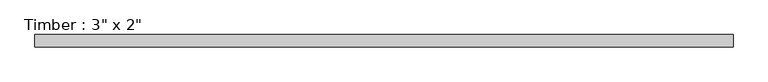
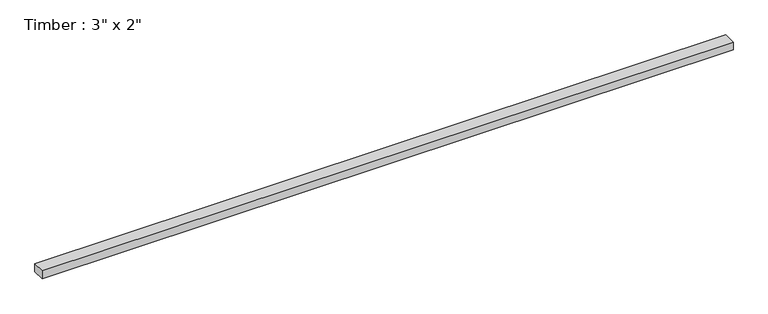
"""IFC4 building model written with IfcOpenShell, lengths in millimetres: beam geometry."""

import ifcopenshell
import ifcopenshell.guid

model = None  # the IFC model being written
_history = None  # IfcOwnerHistory: only IFC2X3 demands one
_inside = {}  # id of a spatial element -> (the spatial element, [elements in it])
_under = {}  # id of a project, library or spatial element -> (it, [spatial elements below it])
_declared = {}  # id of a project -> (the project, [libraries it declares])
_typed = {}  # id of a type object -> (the type object, [elements of that type])
_made_of = {}  # id of a material, layer set ... -> (it, [elements and type objects made of it])


def new_model(schema):
    """Start an empty IFC model of exactly this schema.

    Asked for "IFC4X3", IfcOpenShell would pick the latest addendum, in which some entities
    have other attributes; the version numbers below select the first issue.
    IFC2X3 requires an IfcOwnerHistory on every rooted entity: one is made here for all.
    """
    global model, _history
    if schema == "IFC4X3":
        model = ifcopenshell.file(schema_version=(4, 3, 0, 0))
    else:
        model = ifcopenshell.file(schema=schema)
    _inside.clear()
    _under.clear()
    _declared.clear()
    _typed.clear()
    _made_of.clear()
    _history = None
    if model.schema == "IFC2X3":
        org = make("IfcOrganization", Name="unknown")
        user = make(
            "IfcPersonAndOrganization",
            ThePerson=make("IfcPerson", FamilyName="unknown"),
            TheOrganization=org,
        )
        app = make(
            "IfcApplication",
            ApplicationDeveloper=org,
            Version="unknown",
            ApplicationFullName="unknown",
            ApplicationIdentifier="unknown",
        )
        _history = make(
            "IfcOwnerHistory",
            OwningUser=user,
            OwningApplication=app,
            ChangeAction="ADDED",
            CreationDate=0,
        )
    return model


def make(cls, **values):
    """One entity of the class cls with the attributes given. An attribute that is None is left unset."""
    return model.create_entity(
        cls, **{name: value for name, value in values.items() if value is not None}
    )


def rooted(cls, **values):
    """An entity with a GlobalId (a new one), such as an element, a storey or a relation."""
    return make(cls, GlobalId=ifcopenshell.guid.new(), OwnerHistory=_history, **values)


def si_unit(unit_type, name, prefix=None):
    """IfcSIUnit, for example si_unit("LENGTHUNIT", "METRE", prefix="MILLI")."""
    return make("IfcSIUnit", UnitType=unit_type, Prefix=prefix, Name=name)


def assignment(units):
    """IfcUnitAssignment: the units of a project."""
    return None if units is None else make("IfcUnitAssignment", Units=units)


def point(xyz):
    """IfcCartesianPoint."""
    return None if xyz is None else make("IfcCartesianPoint", Coordinates=xyz)


def direction(xyz):
    """IfcDirection."""
    return None if xyz is None else make("IfcDirection", DirectionRatios=xyz)


def frame(location, z_axis=None, x_axis=None):
    """IfcAxis2Placement3D, a coordinate frame: its origin and axes. An axis left out is left unset."""
    return make(
        "IfcAxis2Placement3D",
        Location=point(location),
        Axis=direction(z_axis),
        RefDirection=direction(x_axis),
    )


def origin():
    """The frame at (0, 0, 0) with its axes left unset."""
    return frame((0.0, 0.0, 0.0))


def place(relative_to, where):
    """IfcLocalPlacement: puts the frame where relative to a parent placement (None: the world)."""
    return make(
        "IfcLocalPlacement", PlacementRelTo=relative_to, RelativePlacement=where
    )


def context(
    kind, dimensions, precision=None, world=None, true_north=None, identifier=None
):
    """IfcGeometricRepresentationContext, for example the 3D "Model" context."""
    return make(
        "IfcGeometricRepresentationContext",
        ContextIdentifier=identifier,
        ContextType=kind,
        CoordinateSpaceDimension=dimensions,
        Precision=precision,
        WorldCoordinateSystem=world,
        TrueNorth=true_north,
    )


def project(units=None, contexts=None):
    """IfcProject with its units and contexts."""
    return rooted(
        "IfcProject",
        Name="project",
        RepresentationContexts=contexts,
        UnitsInContext=assignment(units),
    )


def spatial(cls, under=None, at=None, **own):
    """A site, building, storey or space (cls), placed at a placement, below another one or the project."""
    s = rooted(cls, ObjectPlacement=at, **own)
    if under is not None:
        _under.setdefault(under.id(), (under, []))[1].append(s)
    return s


def polyline(points):
    """IfcPolyline through the points."""
    return make("IfcPolyline", Points=[point(p) for p in points])


def outline(outer, holes=None, kind="AREA"):
    """IfcArbitraryClosedProfileDef: a profile drawn as a closed curve; with holes, ...WithVoids."""
    if holes is None:
        return make("IfcArbitraryClosedProfileDef", ProfileType=kind, OuterCurve=outer)
    return make(
        "IfcArbitraryProfileDefWithVoids",
        ProfileType=kind,
        OuterCurve=outer,
        InnerCurves=holes,
    )


def extrude(swept, where, along, depth):
    """IfcExtrudedAreaSolid: the profile swept, set in the frame where, extruded along a direction by depth."""
    return make(
        "IfcExtrudedAreaSolid",
        SweptArea=swept,
        Position=where,
        ExtrudedDirection=direction(along),
        Depth=depth,
    )


def shape(context_of_items, identifier, shape_type, items):
    """IfcShapeRepresentation: the items that make up one representation, for example the "Body"."""
    return make(
        "IfcShapeRepresentation",
        ContextOfItems=context_of_items,
        RepresentationIdentifier=identifier,
        RepresentationType=shape_type,
        Items=items,
    )


def source(mapping_origin, context_of_items, identifier, shape_type, items):
    """IfcRepresentationMap: a shape defined once, which mapped items show again and again."""
    return make(
        "IfcRepresentationMap",
        MappingOrigin=mapping_origin,
        MappedRepresentation=shape(context_of_items, identifier, shape_type, items),
    )


def transform(
    local_origin,
    x_axis=None,
    y_axis=None,
    z_axis=None,
    scale=None,
    scale2=None,
    scale3=None,
    uniform=True,
):
    """IfcCartesianTransformationOperator3D, or its non-uniform kind. x_axis, y_axis, z_axis: its Axis1, 2, 3."""
    if uniform:
        return make(
            "IfcCartesianTransformationOperator3D",
            Axis1=direction(x_axis),
            Axis2=direction(y_axis),
            LocalOrigin=point(local_origin),
            Scale=scale,
            Axis3=direction(z_axis),
        )
    return make(
        "IfcCartesianTransformationOperator3DnonUniform",
        Axis1=direction(x_axis),
        Axis2=direction(y_axis),
        LocalOrigin=point(local_origin),
        Scale=scale,
        Axis3=direction(z_axis),
        Scale2=scale2,
        Scale3=scale3,
    )


def mapped(mapping_source, mapping_target):
    """IfcMappedItem: shows the shape of a source again, moved by a transform."""
    return make(
        "IfcMappedItem", MappingSource=mapping_source, MappingTarget=mapping_target
    )


def made_of(thing, what):
    """Note that an element or type object is made of a material, layer set ...; save() writes the relation."""
    if what is not None:
        _made_of.setdefault(what.id(), (what, []))[1].append(thing)
    return thing


def element(
    cls,
    number,
    at=None,
    inside=None,
    cuts=None,
    type_object=None,
    material=None,
    context=None,
    identifier="Body",
    shape_type=None,
    held_by="IfcProductDefinitionShape",
    body=None,
    shapes=None,
    **own,
):
    """One element of the class cls, such as IfcWall. Its Tag is "e" and its number.

    at: its placement. inside: the storey or other place that contains it. cuts: it is an
    opening in that element (IfcRelVoidsElement). A single representation is given by context,
    identifier, shape_type and body (its items); several are given by shapes. held_by: the class
    of the entity that holds the representations. save() writes the other relations.
    """
    e = rooted(cls, Tag="e%d" % number, ObjectPlacement=at, **own)
    if body is not None:
        shapes = [shape(context, identifier, shape_type, body)]
    if shapes is not None:
        e.Representation = make(held_by, Representations=shapes)
    if inside is not None:
        _inside.setdefault(inside.id(), (inside, []))[1].append(e)
    if cuts is not None:
        rooted(
            "IfcRelVoidsElement", RelatingBuildingElement=cuts, RelatedOpeningElement=e
        )
    if type_object is not None:
        _typed.setdefault(type_object.id(), (type_object, []))[1].append(e)
    return made_of(e, material)


def aggregate(whole, parts):
    """IfcRelAggregates: a whole, such as a stair, and the parts it consists of."""
    return rooted("IfcRelAggregates", RelatingObject=whole, RelatedObjects=parts)


def save(model, path):
    """Write the relations noted so far, then the file.

    IfcRelAggregates (storeys below a building ...), IfcRelContainedInSpatialStructure (elements
    in a storey), IfcRelDefinesByType, IfcRelAssociatesMaterial and IfcRelDeclares: one each for
    every whole, place, type object, material and project.
    """
    for whole, parts in _under.values():
        aggregate(whole, parts)
    for where, things in _inside.values():
        rooted(
            "IfcRelContainedInSpatialStructure",
            RelatedElements=things,
            RelatingStructure=where,
        )
    for kind, things in _typed.values():
        rooted("IfcRelDefinesByType", RelatedObjects=things, RelatingType=kind)
    for what, things in _made_of.values():
        rooted("IfcRelAssociatesMaterial", RelatedObjects=things, RelatingMaterial=what)
    for by, libraries in _declared.values():
        rooted("IfcRelDeclares", RelatingContext=by, RelatedDefinitions=libraries)
    model.write(path)


def beam_4a6ca2a5(model_context):
    return source(origin(), model_context, "Body", "SweptSolid", [
        extrude(outline(polyline([(2113.6779588, 38.1), (2113.6779588, -38.1), (-2113.6779588, -38.1), (-2113.6779588, 38.1), (2113.6779588, 38.1)])), frame((0.0, 0.0, -25.4), z_axis=(0.0, 0.0, 1.0), x_axis=(1.0, 0.0, 0.0)), (0.0, 0.0, 1.0), 50.8),
    ])


if __name__ == "__main__":
    model = new_model("IFC4")
    model_context = context("Model", 3, world=origin())
    ifc_project = project(units=[si_unit("LENGTHUNIT", "METRE", prefix="MILLI")], contexts=[model_context])
    site = spatial("IfcSite", under=ifc_project)
    building = spatial("IfcBuilding", under=site)
    placement = place(None, origin())
    beam_shape = beam_4a6ca2a5(model_context)
    element("IfcBeam", 1, ObjectType="Timber : 3\" x 2\"", at=placement, inside=building, context=model_context, shape_type="MappedRepresentation", body=[
        mapped(beam_shape, transform((0.0, 0.0, 0.0), x_axis=(1.0, 0.0, 0.0), y_axis=(0.0, 1.0, 0.0), z_axis=(0.0, 0.0, 1.0))),
    ])
    save(model, "model.ifc")
